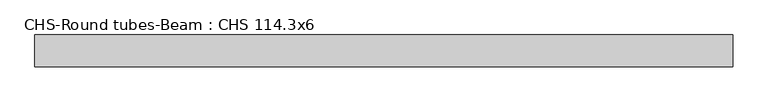
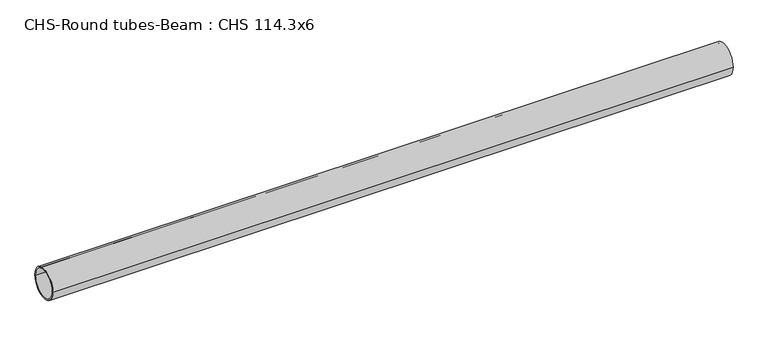
"""IFC4 building model written with IfcOpenShell, lengths in millimetres: beam geometry, CHS-Round tubes-Beam : CHS 114.3x6."""

from ifc_helpers import new_model, si_unit, point, frame, origin, origin_2d, place, context, project, spatial, circle_curve, trimmed, segment, composite_curve, outline, extrude, source, transform, mapped, element, save


def chs_round_tubes_beam_chs_114_3x6_66cdc151(model_context):
    return source(origin(), model_context, "Body", "SweptSolid", [
        extrude(outline(composite_curve([segment(trimmed(circle_curve(origin_2d(), 57.15), [point((57.15, 0.0))], [point((-57.15, 0.0))], False, "CARTESIAN"), True, "CONTINUOUS"), segment(trimmed(circle_curve(origin_2d(), 57.15), [point((-57.15, 0.0))], [point((57.15, 0.0))], False, "CARTESIAN"), True, "CONTINUOUS")], self_intersect=False), holes=[composite_curve([segment(trimmed(circle_curve(origin_2d(), 51.15), [point((51.15, 0.0))], [point((-51.15, 0.0))], True, "CARTESIAN"), True, "CONTINUOUS"), segment(trimmed(circle_curve(origin_2d(), 51.15), [point((-51.15, 0.0))], [point((51.15, 0.0))], True, "CARTESIAN"), True, "CONTINUOUS")], self_intersect=False)]), frame((-1220.3632121, 0.0, 0.0), z_axis=(1.0, 0.0, 0.0), x_axis=(0.0, 1.0, 0.0)), (0.0, 0.0, 1.0), 2499.4151635),
    ])


if __name__ == "__main__":
    model = new_model("IFC4")
    model_context = context("Model", 3, world=origin())
    ifc_project = project(units=[si_unit("LENGTHUNIT", "METRE", prefix="MILLI")], contexts=[model_context])
    site = spatial("IfcSite", under=ifc_project)
    building = spatial("IfcBuilding", under=site)
    placement = place(None, origin())
    chs_round_tubes_beam_chs_114_3x6_shape = chs_round_tubes_beam_chs_114_3x6_66cdc151(model_context)
    element("IfcBeam", 1, ObjectType="CHS-Round tubes-Beam : CHS 114.3x6", at=placement, inside=building, context=model_context, shape_type="MappedRepresentation", body=[
        mapped(chs_round_tubes_beam_chs_114_3x6_shape, transform((0.0, 0.0, 0.0), x_axis=(1.0, 0.0, 0.0), y_axis=(0.0, 1.0, 0.0), z_axis=(0.0, 0.0, 1.0))),
    ])
    save(model, "model.ifc")
